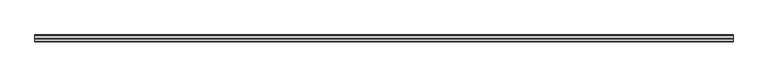
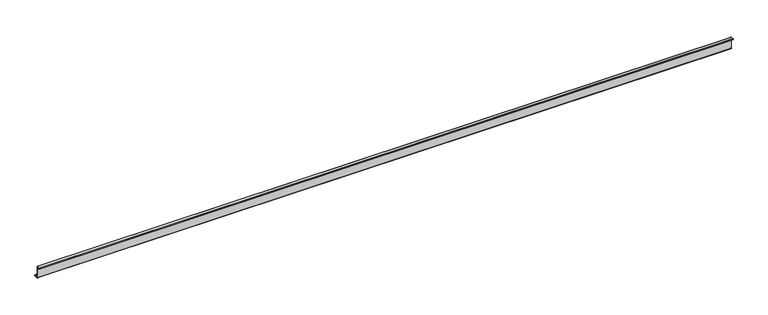
"""IFC4 building model written with IfcOpenShell, lengths in millimetres: member geometry."""

import ifcopenshell
import ifcopenshell.guid

model = None  # the IFC model being written
_history = None  # IfcOwnerHistory: only IFC2X3 demands one
_inside = {}  # id of a spatial element -> (the spatial element, [elements in it])
_under = {}  # id of a project, library or spatial element -> (it, [spatial elements below it])
_declared = {}  # id of a project -> (the project, [libraries it declares])
_typed = {}  # id of a type object -> (the type object, [elements of that type])
_made_of = {}  # id of a material, layer set ... -> (it, [elements and type objects made of it])


def new_model(schema):
    """Start an empty IFC model of exactly this schema.

    Asked for "IFC4X3", IfcOpenShell would pick the latest addendum, in which some entities
    have other attributes; the version numbers below select the first issue.
    IFC2X3 requires an IfcOwnerHistory on every rooted entity: one is made here for all.
    """
    global model, _history
    if schema == "IFC4X3":
        model = ifcopenshell.file(schema_version=(4, 3, 0, 0))
    else:
        model = ifcopenshell.file(schema=schema)
    _inside.clear()
    _under.clear()
    _declared.clear()
    _typed.clear()
    _made_of.clear()
    _history = None
    if model.schema == "IFC2X3":
        org = make("IfcOrganization", Name="unknown")
        user = make(
            "IfcPersonAndOrganization",
            ThePerson=make("IfcPerson", FamilyName="unknown"),
            TheOrganization=org,
        )
        app = make(
            "IfcApplication",
            ApplicationDeveloper=org,
            Version="unknown",
            ApplicationFullName="unknown",
            ApplicationIdentifier="unknown",
        )
        _history = make(
            "IfcOwnerHistory",
            OwningUser=user,
            OwningApplication=app,
            ChangeAction="ADDED",
            CreationDate=0,
        )
    return model


def make(cls, **values):
    """One entity of the class cls with the attributes given. An attribute that is None is left unset."""
    return model.create_entity(
        cls, **{name: value for name, value in values.items() if value is not None}
    )


def rooted(cls, **values):
    """An entity with a GlobalId (a new one), such as an element, a storey or a relation."""
    return make(cls, GlobalId=ifcopenshell.guid.new(), OwnerHistory=_history, **values)


def si_unit(unit_type, name, prefix=None):
    """IfcSIUnit, for example si_unit("LENGTHUNIT", "METRE", prefix="MILLI")."""
    return make("IfcSIUnit", UnitType=unit_type, Prefix=prefix, Name=name)


def assignment(units):
    """IfcUnitAssignment: the units of a project."""
    return None if units is None else make("IfcUnitAssignment", Units=units)


def point(xyz):
    """IfcCartesianPoint."""
    return None if xyz is None else make("IfcCartesianPoint", Coordinates=xyz)


def direction(xyz):
    """IfcDirection."""
    return None if xyz is None else make("IfcDirection", DirectionRatios=xyz)


def frame(location, z_axis=None, x_axis=None):
    """IfcAxis2Placement3D, a coordinate frame: its origin and axes. An axis left out is left unset."""
    return make(
        "IfcAxis2Placement3D",
        Location=point(location),
        Axis=direction(z_axis),
        RefDirection=direction(x_axis),
    )


def frame_2d(location, x_axis=None):
    """IfcAxis2Placement2D, a coordinate frame in the plane: its origin and x axis."""
    return make(
        "IfcAxis2Placement2D", Location=point(location), RefDirection=direction(x_axis)
    )


def origin():
    """The frame at (0, 0, 0) with its axes left unset."""
    return frame((0.0, 0.0, 0.0))


def place(relative_to, where):
    """IfcLocalPlacement: puts the frame where relative to a parent placement (None: the world)."""
    return make(
        "IfcLocalPlacement", PlacementRelTo=relative_to, RelativePlacement=where
    )


def context(
    kind, dimensions, precision=None, world=None, true_north=None, identifier=None
):
    """IfcGeometricRepresentationContext, for example the 3D "Model" context."""
    return make(
        "IfcGeometricRepresentationContext",
        ContextIdentifier=identifier,
        ContextType=kind,
        CoordinateSpaceDimension=dimensions,
        Precision=precision,
        WorldCoordinateSystem=world,
        TrueNorth=true_north,
    )


def project(units=None, contexts=None):
    """IfcProject with its units and contexts."""
    return rooted(
        "IfcProject",
        Name="project",
        RepresentationContexts=contexts,
        UnitsInContext=assignment(units),
    )


def spatial(cls, under=None, at=None, **own):
    """A site, building, storey or space (cls), placed at a placement, below another one or the project."""
    s = rooted(cls, ObjectPlacement=at, **own)
    if under is not None:
        _under.setdefault(under.id(), (under, []))[1].append(s)
    return s


def polyline(points):
    """IfcPolyline through the points."""
    return make("IfcPolyline", Points=[point(p) for p in points])


def circle_curve(where, radius):
    """IfcCircle in the frame where."""
    return make("IfcCircle", Position=where, Radius=radius)


def trimmed(basis, trim1, trim2, sense, master):
    """IfcTrimmedCurve: the piece of a basis curve between two trims."""
    return make(
        "IfcTrimmedCurve",
        BasisCurve=basis,
        Trim1=trim1,
        Trim2=trim2,
        SenseAgreement=sense,
        MasterRepresentation=master,
    )


def segment(curve, same_sense, transition):
    """IfcCompositeCurveSegment."""
    return make(
        "IfcCompositeCurveSegment",
        Transition=transition,
        SameSense=same_sense,
        ParentCurve=curve,
    )


def composite_curve(segments, self_intersect=None):
    """IfcCompositeCurve: segments joined end to end."""
    return make("IfcCompositeCurve", Segments=segments, SelfIntersect=self_intersect)


def outline(outer, holes=None, kind="AREA"):
    """IfcArbitraryClosedProfileDef: a profile drawn as a closed curve; with holes, ...WithVoids."""
    if holes is None:
        return make("IfcArbitraryClosedProfileDef", ProfileType=kind, OuterCurve=outer)
    return make(
        "IfcArbitraryProfileDefWithVoids",
        ProfileType=kind,
        OuterCurve=outer,
        InnerCurves=holes,
    )


def extrude(swept, where, along, depth):
    """IfcExtrudedAreaSolid: the profile swept, set in the frame where, extruded along a direction by depth."""
    return make(
        "IfcExtrudedAreaSolid",
        SweptArea=swept,
        Position=where,
        ExtrudedDirection=direction(along),
        Depth=depth,
    )


def shape(context_of_items, identifier, shape_type, items):
    """IfcShapeRepresentation: the items that make up one representation, for example the "Body"."""
    return make(
        "IfcShapeRepresentation",
        ContextOfItems=context_of_items,
        RepresentationIdentifier=identifier,
        RepresentationType=shape_type,
        Items=items,
    )


def source(mapping_origin, context_of_items, identifier, shape_type, items):
    """IfcRepresentationMap: a shape defined once, which mapped items show again and again."""
    return make(
        "IfcRepresentationMap",
        MappingOrigin=mapping_origin,
        MappedRepresentation=shape(context_of_items, identifier, shape_type, items),
    )


def transform(
    local_origin,
    x_axis=None,
    y_axis=None,
    z_axis=None,
    scale=None,
    scale2=None,
    scale3=None,
    uniform=True,
):
    """IfcCartesianTransformationOperator3D, or its non-uniform kind. x_axis, y_axis, z_axis: its Axis1, 2, 3."""
    if uniform:
        return make(
            "IfcCartesianTransformationOperator3D",
            Axis1=direction(x_axis),
            Axis2=direction(y_axis),
            LocalOrigin=point(local_origin),
            Scale=scale,
            Axis3=direction(z_axis),
        )
    return make(
        "IfcCartesianTransformationOperator3DnonUniform",
        Axis1=direction(x_axis),
        Axis2=direction(y_axis),
        LocalOrigin=point(local_origin),
        Scale=scale,
        Axis3=direction(z_axis),
        Scale2=scale2,
        Scale3=scale3,
    )


def mapped(mapping_source, mapping_target):
    """IfcMappedItem: shows the shape of a source again, moved by a transform."""
    return make(
        "IfcMappedItem", MappingSource=mapping_source, MappingTarget=mapping_target
    )


def made_of(thing, what):
    """Note that an element or type object is made of a material, layer set ...; save() writes the relation."""
    if what is not None:
        _made_of.setdefault(what.id(), (what, []))[1].append(thing)
    return thing


def element(
    cls,
    number,
    at=None,
    inside=None,
    cuts=None,
    type_object=None,
    material=None,
    context=None,
    identifier="Body",
    shape_type=None,
    held_by="IfcProductDefinitionShape",
    body=None,
    shapes=None,
    **own,
):
    """One element of the class cls, such as IfcWall. Its Tag is "e" and its number.

    at: its placement. inside: the storey or other place that contains it. cuts: it is an
    opening in that element (IfcRelVoidsElement). A single representation is given by context,
    identifier, shape_type and body (its items); several are given by shapes. held_by: the class
    of the entity that holds the representations. save() writes the other relations.
    """
    e = rooted(cls, Tag="e%d" % number, ObjectPlacement=at, **own)
    if body is not None:
        shapes = [shape(context, identifier, shape_type, body)]
    if shapes is not None:
        e.Representation = make(held_by, Representations=shapes)
    if inside is not None:
        _inside.setdefault(inside.id(), (inside, []))[1].append(e)
    if cuts is not None:
        rooted(
            "IfcRelVoidsElement", RelatingBuildingElement=cuts, RelatedOpeningElement=e
        )
    if type_object is not None:
        _typed.setdefault(type_object.id(), (type_object, []))[1].append(e)
    return made_of(e, material)


def aggregate(whole, parts):
    """IfcRelAggregates: a whole, such as a stair, and the parts it consists of."""
    return rooted("IfcRelAggregates", RelatingObject=whole, RelatedObjects=parts)


def save(model, path):
    """Write the relations noted so far, then the file.

    IfcRelAggregates (storeys below a building ...), IfcRelContainedInSpatialStructure (elements
    in a storey), IfcRelDefinesByType, IfcRelAssociatesMaterial and IfcRelDeclares: one each for
    every whole, place, type object, material and project.
    """
    for whole, parts in _under.values():
        aggregate(whole, parts)
    for where, things in _inside.values():
        rooted(
            "IfcRelContainedInSpatialStructure",
            RelatedElements=things,
            RelatingStructure=where,
        )
    for kind, things in _typed.values():
        rooted("IfcRelDefinesByType", RelatedObjects=things, RelatingType=kind)
    for what, things in _made_of.values():
        rooted("IfcRelAssociatesMaterial", RelatedObjects=things, RelatingMaterial=what)
    for by, libraries in _declared.values():
        rooted("IfcRelDeclares", RelatingContext=by, RelatedDefinitions=libraries)
    model.write(path)


def member_d1393192(model_context):
    return source(origin(), model_context, "Body", "SweptSolid", [
        extrude(outline(composite_curve([segment(polyline([(0.0, -123.5), (0.0, 123.5)]), True, "CONTINUOUS"), segment(trimmed(circle_curve(frame_2d((-2.0, 123.5)), 2.0), [point((0.0, 123.5))], [point((-2.0, 125.5))], True, "CARTESIAN"), True, "CONTINUOUS"), segment(polyline([(-2.0, 125.5), (-63.5, 125.5)]), True, "CONTINUOUS"), segment(trimmed(circle_curve(frame_2d((-63.5, 123.5)), 2.0), [point((-63.5, 125.5))], [point((-65.5, 123.5))], True, "CARTESIAN"), True, "CONTINUOUS"), segment(polyline([(-65.5, 123.5), (-65.5, 107.0), (-67.0, 107.0), (-67.0, 123.5)]), True, "CONTINUOUS"), segment(trimmed(circle_curve(frame_2d((-63.5, 123.5)), 3.5), [point((-67.0, 123.5))], [point((-63.5, 127.0))], False, "CARTESIAN"), True, "CONTINUOUS"), segment(polyline([(-63.5, 127.0), (-2.0, 127.0)]), True, "CONTINUOUS"), segment(trimmed(circle_curve(frame_2d((-2.0, 123.5)), 3.5), [point((-2.0, 127.0))], [point((1.5, 123.5))], False, "CARTESIAN"), True, "CONTINUOUS"), segment(polyline([(1.5, 123.5), (1.5, -123.5)]), True, "CONTINUOUS"), segment(trimmed(circle_curve(frame_2d((3.5, -123.5)), 2.0), [point((1.5, -123.5))], [point((3.5, -125.5))], True, "CARTESIAN"), True, "CONTINUOUS"), segment(polyline([(3.5, -125.5), (75.0, -125.5)]), True, "CONTINUOUS"), segment(trimmed(circle_curve(frame_2d((75.0, -123.5)), 2.0), [point((75.0, -125.5))], [point((77.0, -123.5))], True, "CARTESIAN"), True, "CONTINUOUS"), segment(polyline([(77.0, -123.5), (77.0, -107.5), (78.5, -107.5), (78.5, -123.5)]), True, "CONTINUOUS"), segment(trimmed(circle_curve(frame_2d((75.0, -123.5)), 3.5), [point((78.5, -123.5))], [point((75.0, -127.0))], False, "CARTESIAN"), True, "CONTINUOUS"), segment(polyline([(75.0, -127.0), (3.5, -127.0)]), True, "CONTINUOUS"), segment(trimmed(circle_curve(frame_2d((3.5, -123.5)), 3.5), [point((3.5, -127.0))], [point((0.0, -123.5))], False, "CARTESIAN"), True, "CONTINUOUS")], self_intersect=False)), frame((-7246.0, 0.0, 0.0), z_axis=(1.0, 0.0, 0.0), x_axis=(0.0, 1.0, 0.0)), (0.0, 0.0, 1.0), 14492.0),
    ])


if __name__ == "__main__":
    model = new_model("IFC4")
    model_context = context("Model", 3, world=origin())
    ifc_project = project(units=[si_unit("LENGTHUNIT", "METRE", prefix="MILLI")], contexts=[model_context])
    site = spatial("IfcSite", under=ifc_project)
    building = spatial("IfcBuilding", under=site)
    placement = place(None, origin())
    member_shape = member_d1393192(model_context)
    element("IfcMember", 1, at=placement, inside=building, context=model_context, shape_type="MappedRepresentation", body=[
        mapped(member_shape, transform((0.0, 0.0, 0.0), x_axis=(1.0, 0.0, 0.0), y_axis=(0.0, 1.0, 0.0), z_axis=(0.0, 0.0, 1.0))),
    ])
    save(model, "model.ifc")
